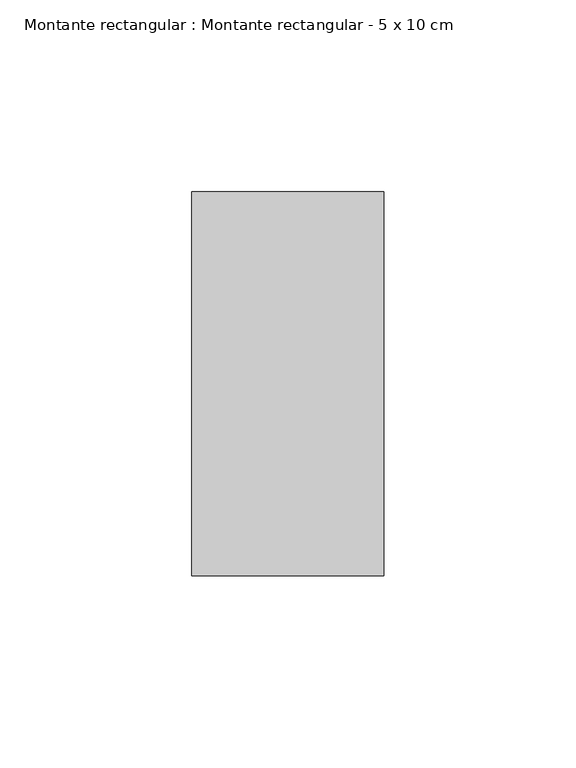
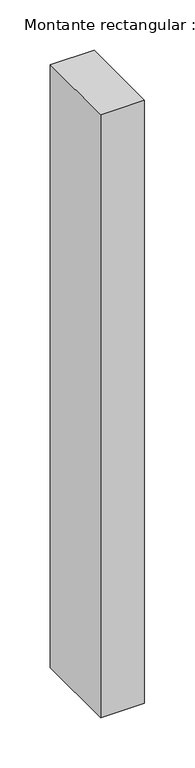
"""IFC4 building model written with IfcOpenShell, lengths in millimetres: member geometry, Montante rectangular : Montante rectangular - 5 x 10 cm."""

from ifc_helpers import new_model, si_unit, frame, origin, place, context, project, spatial, polyline, outline, extrude, source, transform, mapped, element, save


def montante_rectangular_montante_rectangular_5_x_10_cm_cbd2c286(model_context):
    return source(origin(), model_context, "Body", "SweptSolid", [
        extrude(outline(polyline([(25.0, 50.0), (25.0, -50.0), (-25.0, -50.0), (-25.0, 50.0), (25.0, 50.0)])), frame((0.0, 0.0, -730.0), z_axis=(0.0, 0.0, 1.0), x_axis=(1.0, 0.0, 0.0)), (0.0, 0.0, 1.0), 730.0),
    ])


if __name__ == "__main__":
    model = new_model("IFC4")
    model_context = context("Model", 3, world=origin())
    ifc_project = project(units=[si_unit("LENGTHUNIT", "METRE", prefix="MILLI")], contexts=[model_context])
    site = spatial("IfcSite", under=ifc_project)
    building = spatial("IfcBuilding", under=site)
    placement = place(None, origin())
    montante_rectangular_montante_rectangular_5_x_10_cm_shape = montante_rectangular_montante_rectangular_5_x_10_cm_cbd2c286(model_context)
    element("IfcMember", 1, ObjectType="Montante rectangular : Montante rectangular - 5 x 10 cm", at=placement, inside=building, context=model_context, shape_type="MappedRepresentation", body=[
        mapped(montante_rectangular_montante_rectangular_5_x_10_cm_shape, transform((0.0, 0.0, 0.0), x_axis=(1.0, 0.0, 0.0), y_axis=(0.0, 1.0, 0.0), z_axis=(0.0, 0.0, 1.0))),
    ])
    save(model, "model.ifc")
